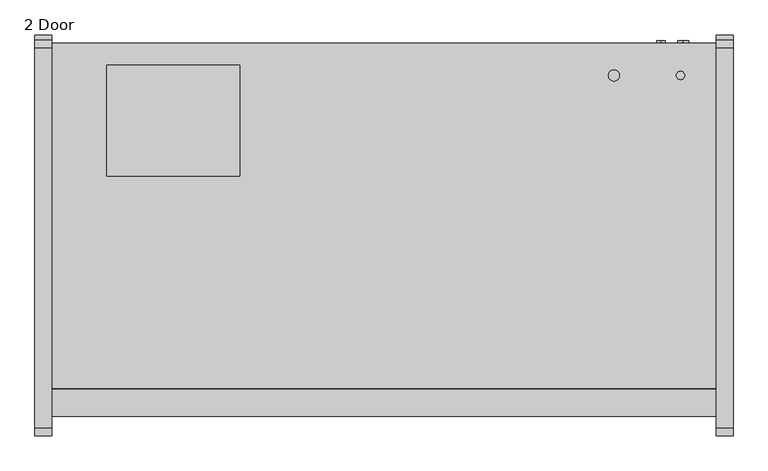
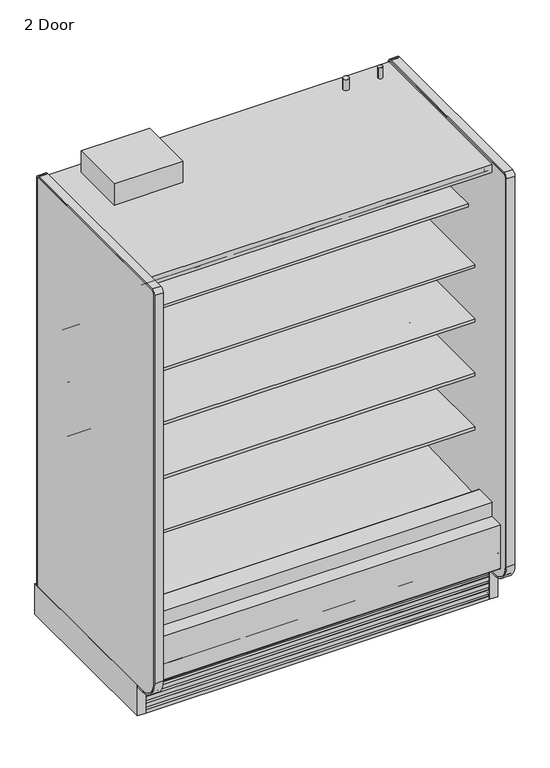
"""IFC4 building model written with IfcOpenShell, lengths in millimetres: proxy geometry, 2 Door."""

from ifc_helpers import new_model, si_unit, point, frame, frame_2d, origin, origin_with_axes, place, context, project, spatial, polyline, circle_curve, trimmed, segment, composite_curve, outline, extrude, source, transform, mapped, element, save
from ifc_brep_helpers import plane_surface, revolved_surface, advanced_brep


def proxy_2_door_fbd0fdcc(model_context):
    return source(origin(), model_context, "Body", "SolidModel", [
        extrude(outline(composite_curve([segment(trimmed(circle_curve(frame_2d((1441.45, -429.4247809)), 9.525), [point((1431.925, -429.4247809))], [point((1450.975, -429.4247809))], False, "CARTESIAN"), True, "CONTINUOUS"), segment(trimmed(circle_curve(frame_2d((1441.45, -429.4247809)), 9.525), [point((1450.975, -429.4247809))], [point((1431.925, -429.4247809))], False, "CARTESIAN"), True, "CONTINUOUS")], self_intersect=False)), frame((0.0, 0.0, 2058.9904091), z_axis=(0.0, 0.0, 1.0), x_axis=(1.0, 0.0, 0.0)), (0.0, 0.0, 1.0), 50.8),
        extrude(outline(composite_curve([segment(trimmed(circle_curve(frame_2d((1289.05, -429.4247809)), 12.7), [point((1276.35, -429.4247809))], [point((1301.75, -429.4247809))], False, "CARTESIAN"), True, "CONTINUOUS"), segment(trimmed(circle_curve(frame_2d((1289.05, -429.4247809)), 12.7), [point((1301.75, -429.4247809))], [point((1276.35, -429.4247809))], False, "CARTESIAN"), True, "CONTINUOUS")], self_intersect=False)), frame((0.0, 0.0, 2058.9904091), z_axis=(0.0, 0.0, 1.0), x_axis=(1.0, 0.0, 0.0)), (0.0, 0.0, 1.0), 50.8),
        extrude(outline(composite_curve([segment(polyline([(-349.0071273, 2056.656972), (-349.0071273, 143.2306), (-355.3571273, 143.2306), (-355.3571273, 2056.656972)]), True, "CONTINUOUS"), segment(trimmed(circle_curve(frame_2d((-365.6251553, 2056.656972)), 10.268028), [point((-355.3571273, 2056.656972))], [point((-365.6251553, 2066.925))], True, "CARTESIAN"), True, "CONTINUOUS"), segment(polyline([(-365.6251553, 2066.925), (-1237.4724391, 2066.925)]), True, "CONTINUOUS"), segment(trimmed(circle_curve(frame_2d((-1237.4724391, 2054.225)), 12.7), [point((-1237.4724391, 2066.925))], [point((-1250.1724391, 2054.225))], True, "CARTESIAN"), True, "CONTINUOUS"), segment(polyline([(-1250.1724391, 2054.225), (-1250.1724391, 232.1306)]), True, "CONTINUOUS"), segment(trimmed(circle_curve(frame_2d((-1161.2724391, 232.1306)), 88.9), [point((-1250.1724391, 232.1306))], [point((-1161.2724391, 143.2306))], True, "CARTESIAN"), True, "CONTINUOUS"), segment(polyline([(-1161.2724391, 143.2306), (-1124.0599223, 143.2306), (-1124.0599223, 136.8806), (-1161.2724391, 136.8806)]), True, "CONTINUOUS"), segment(trimmed(circle_curve(frame_2d((-1161.2724391, 232.1306)), 95.25), [point((-1161.2724391, 136.8806))], [point((-1256.5224391, 232.1306))], False, "CARTESIAN"), True, "CONTINUOUS"), segment(polyline([(-1256.5224391, 232.1306), (-1256.5224391, 2054.225)]), True, "CONTINUOUS"), segment(trimmed(circle_curve(frame_2d((-1237.4724391, 2054.225)), 19.05), [point((-1256.5224391, 2054.225))], [point((-1237.4724391, 2073.275))], False, "CARTESIAN"), True, "CONTINUOUS"), segment(polyline([(-1237.4724391, 2073.275), (-365.6251553, 2073.275)]), True, "CONTINUOUS"), segment(trimmed(circle_curve(frame_2d((-365.6251553, 2056.656972)), 16.618028), [point((-365.6251553, 2073.275))], [point((-349.0071273, 2056.656972))], False, "CARTESIAN"), True, "CONTINUOUS")], self_intersect=False)), frame((1524.0, 0.0, 0.0), z_axis=(1.0, 0.0, 0.0), x_axis=(0.0, 1.0, 0.0)), (0.0, 0.0, 1.0), 38.1),
        extrude(outline(polyline([(1562.1, -336.3071273), (1562.1, -1124.0599223), (1524.0, -1124.0599223), (1524.0, -336.3071273), (1562.1, -336.3071273)])), origin_with_axes(), (0.0, 0.0, 1.0), 143.2306),
        extrude(outline(composite_curve([segment(polyline([(-1250.1724391, 232.1306), (-1250.1724391, 2054.225)]), True, "CONTINUOUS"), segment(trimmed(circle_curve(frame_2d((-1237.4724391, 2054.225)), 12.7), [point((-1250.1724391, 2054.225))], [point((-1237.4724391, 2066.925))], False, "CARTESIAN"), True, "CONTINUOUS"), segment(polyline([(-1237.4724391, 2066.925), (-365.6251553, 2066.925)]), True, "CONTINUOUS"), segment(trimmed(circle_curve(frame_2d((-365.6251553, 2056.656972)), 10.268028), [point((-365.6251553, 2066.925))], [point((-355.3571273, 2056.656972))], False, "CARTESIAN"), True, "CONTINUOUS"), segment(polyline([(-355.3571273, 2056.656972), (-355.3571273, 143.2306), (-1161.2724391, 143.2306)]), True, "CONTINUOUS"), segment(trimmed(circle_curve(frame_2d((-1161.2724391, 232.1306)), 88.9), [point((-1161.2724391, 143.2306))], [point((-1250.1724391, 232.1306))], False, "CARTESIAN"), True, "CONTINUOUS")], self_intersect=False)), frame((1524.0, 0.0, 0.0), z_axis=(1.0, 0.0, 0.0), x_axis=(0.0, 1.0, 0.0)), (0.0, 0.0, 1.0), 38.1),
        extrude(outline(composite_curve([segment(polyline([(-1124.0599223, 136.8806), (-1161.2724391, 136.8806)]), True, "CONTINUOUS"), segment(trimmed(circle_curve(frame_2d((-1161.2724391, 232.1306)), 95.25), [point((-1161.2724391, 136.8806))], [point((-1256.5224391, 232.1306))], False, "CARTESIAN"), True, "CONTINUOUS"), segment(polyline([(-1256.5224391, 232.1306), (-1256.5224391, 2054.225)]), True, "CONTINUOUS"), segment(trimmed(circle_curve(frame_2d((-1237.4724391, 2054.225)), 19.05), [point((-1256.5224391, 2054.225))], [point((-1237.4724391, 2073.275))], False, "CARTESIAN"), True, "CONTINUOUS"), segment(polyline([(-1237.4724391, 2073.275), (-365.6251553, 2073.275)]), True, "CONTINUOUS"), segment(trimmed(circle_curve(frame_2d((-365.6251553, 2056.656972)), 16.618028), [point((-365.6251553, 2073.275))], [point((-349.0071273, 2056.656972))], False, "CARTESIAN"), True, "CONTINUOUS"), segment(polyline([(-349.0071273, 2056.656972), (-349.0071273, 143.2306), (-355.3571273, 143.2306), (-355.3571273, 2056.656972)]), True, "CONTINUOUS"), segment(trimmed(circle_curve(frame_2d((-365.6251553, 2056.656972)), 10.268028), [point((-355.3571273, 2056.656972))], [point((-365.6251553, 2066.925))], True, "CARTESIAN"), True, "CONTINUOUS"), segment(polyline([(-365.6251553, 2066.925), (-1237.4724391, 2066.925)]), True, "CONTINUOUS"), segment(trimmed(circle_curve(frame_2d((-1237.4724391, 2054.225)), 12.7), [point((-1237.4724391, 2066.925))], [point((-1250.1724391, 2054.225))], True, "CARTESIAN"), True, "CONTINUOUS"), segment(polyline([(-1250.1724391, 2054.225), (-1250.1724391, 232.1306)]), True, "CONTINUOUS"), segment(trimmed(circle_curve(frame_2d((-1161.2724391, 232.1306)), 88.9), [point((-1250.1724391, 232.1306))], [point((-1161.2724391, 143.2306))], True, "CARTESIAN"), True, "CONTINUOUS"), segment(polyline([(-1161.2724391, 143.2306), (-1124.0599223, 143.2306), (-1124.0599223, 136.8806)]), True, "CONTINUOUS")], self_intersect=False)), frame((-38.1, 0.0, 0.0), z_axis=(1.0, 0.0, 0.0), x_axis=(0.0, 1.0, 0.0)), (0.0, 0.0, 1.0), 38.1),
        extrude(outline(polyline([(0.0, -336.3071273), (0.0, -1124.0599223), (-38.1, -1124.0599223), (-38.1, -336.3071273), (0.0, -336.3071273)])), origin_with_axes(), (0.0, 0.0, 1.0), 143.2306),
        extrude(outline(composite_curve([segment(polyline([(-1250.1724391, 232.1306), (-1250.1724391, 2054.225)]), True, "CONTINUOUS"), segment(trimmed(circle_curve(frame_2d((-1237.4724391, 2054.225)), 12.7), [point((-1250.1724391, 2054.225))], [point((-1237.4724391, 2066.925))], False, "CARTESIAN"), True, "CONTINUOUS"), segment(polyline([(-1237.4724391, 2066.925), (-365.6251553, 2066.925)]), True, "CONTINUOUS"), segment(trimmed(circle_curve(frame_2d((-365.6251553, 2056.656972)), 10.268028), [point((-365.6251553, 2066.925))], [point((-355.3571273, 2056.656972))], False, "CARTESIAN"), True, "CONTINUOUS"), segment(polyline([(-355.3571273, 2056.656972), (-355.3571273, 143.2306), (-1137.131026, 143.2306), (-1161.2724391, 143.2306)]), True, "CONTINUOUS"), segment(trimmed(circle_curve(frame_2d((-1161.2724391, 232.1306)), 88.9), [point((-1161.2724391, 143.2306))], [point((-1250.1724391, 232.1306))], False, "CARTESIAN"), True, "CONTINUOUS")], self_intersect=False)), frame((-38.1, 0.0, 0.0), z_axis=(1.0, 0.0, 0.0), x_axis=(0.0, 1.0, 0.0)), (0.0, 0.0, 1.0), 38.1),
        extrude(outline(polyline([(0.0, -76.2), (0.0, 0.0), (1524.0, 0.0), (1524.0, -76.2), (0.0, -76.2)])), frame((1524.0, -1079.2958538, 1988.0577862), z_axis=(0.0, 0.09315347017682277, 0.9956517619097633), x_axis=(-1.0, 0.0, 0.0)), (0.0, 0.0, 1.0), 12.7),
        extrude(outline(composite_curve([segment(trimmed(circle_curve(frame_2d((-1205.0506273, 199.8107889)), 6.35), [point((-1201.8764382, 194.3110595))], [point((-1211.4006273, 199.8107889))], False, "CARTESIAN"), True, "CONTINUOUS"), segment(polyline([(-1211.4006273, 199.8107889), (-1211.4006273, 404.6728), (-1147.784197, 404.6728), (-1147.784197, 395.1732), (-1196.1987273, 395.1732), (-1196.1987273, 260.4549459), (-1151.8090876, 223.2076157), (-1201.8764382, 194.3110595)]), True, "CONTINUOUS")], self_intersect=False)), frame((0.0, 0.0, 0.0), z_axis=(1.0, 0.0, 0.0), x_axis=(0.0, 1.0, 0.0)), (0.0, 0.0, 1.0), 1524.0),
        extrude(outline(polyline([(431.8422466, -406.1571273), (431.8422466, -660.1571273), (127.0, -660.1571273), (127.0, -406.1571273), (431.8422466, -406.1571273)])), frame((0.0, 0.0, 2058.9904091), z_axis=(0.0, 0.0, 1.0), x_axis=(1.0, 0.0, 0.0)), (0.0, 0.0, 1.0), 100.0095909),
        advanced_brep(
        [(1524.0, -1124.0599223, 0.0), (1524.0, -1111.0071273, 0.0), (1524.0, -1111.0071273, 189.0201105), (1524.0, -1118.1695038, 194.9418778), (1524.0, -1118.1695038, 167.3928018), (1524.0, -1119.7599344, 165.8023712), (1524.0, -1119.7599344, 146.7523712), (1524.0, -1117.4655682, 147.966845), (1524.0, -1114.0015384, 146.7880867), (1524.0, -1120.0983392, 136.4191003), (1524.0, -1120.6941527, 135.8232868), (1524.0, -1120.6941527, 116.7732868), (1524.0, -1118.3997865, 117.9877605), (1524.0, -1114.9357567, 116.8090023), (1524.0, -1121.0325575, 106.4400158), (1524.0, -1121.628371, 105.8442023), (1524.0, -1121.628371, 86.7942023), (1524.0, -1119.3340048, 88.0086761), (1524.0, -1115.869975, 86.8299178), (1524.0, -1121.9667759, 76.4609313), (1524.0, -1122.5625893, 75.8651179), (1524.0, -1122.5625893, 56.8151179), (1524.0, -1120.2682231, 58.0295916), (1524.0, -1116.8041934, 56.8508334), (1524.0, -1122.9009942, 46.4818469), (1524.0, -1123.4968077, 45.8860334), (1524.0, -1123.4968077, 26.8360334), (1524.0, -1121.2024415, 28.0505071), (1524.0, -1117.7384117, 26.8717489), (1524.0, -1123.8352125, 16.5027624), (1524.0, -1124.0599223, 15.4000228), (0.0, -1124.0599223, 0.0), (0.0, -1124.0599223, 15.4000228), (0.0, -1123.8352125, 16.5027624), (0.0, -1117.7046569, 26.7952908), (0.0, -1121.2024415, 28.0505071), (0.0, -1123.4968077, 26.8360334), (0.0, -1123.4968077, 45.8860334), (0.0, -1122.9009942, 46.4818469), (0.0, -1116.7704385, 56.7743753), (0.0, -1120.2682231, 58.0295916), (0.0, -1122.5625893, 56.8151179), (0.0, -1122.5625893, 75.8651179), (0.0, -1121.9667759, 76.4609313), (0.0, -1115.8362202, 86.7534597), (0.0, -1119.3340048, 88.0086761), (0.0, -1121.628371, 86.7942023), (0.0, -1121.628371, 105.8442023), (0.0, -1121.0325575, 106.4400158), (0.0, -1114.9020019, 116.7325442), (0.0, -1118.3997865, 117.9877605), (0.0, -1120.6941527, 116.7732868), (0.0, -1120.6941527, 135.8232868), (0.0, -1120.0983392, 136.4191003), (0.0, -1113.9677835, 146.7116287), (0.0, -1117.4655682, 147.966845), (0.0, -1119.7599344, 146.7523712), (0.0, -1119.7599344, 165.8023712), (0.0, -1118.1695038, 167.3928018), (0.0, -1118.1695038, 194.9418778), (0.0, -1111.0071273, 189.0201105), (0.0, -1111.0071273, 0.0)],
        [
            (0, 1),
            (1, 2),
            (2, 3),
            (3, 4),
            (4, 5),
            (5, 6),
            (6, 7),
            (7, 8, circle_curve(frame((1524.0, -1116.2892235, 145.7445117), z_axis=(-1.0, 0.0, 0.0), x_axis=(0.0, 1.0, 0.0)), 2.5144685)),
            (8, 9, circle_curve(frame((1524.0, -1120.7858609, 143.8006506), z_axis=(-1.0, 0.0, 0.0), x_axis=(0.0, 1.0, 0.0)), 7.4134993)),
            (9, 10),
            (10, 11),
            (11, 12),
            (12, 13, circle_curve(frame((1524.0, -1117.2234418, 115.7654272), z_axis=(-1.0, 0.0, 0.0), x_axis=(0.0, 1.0, 0.0)), 2.5144685)),
            (13, 14, circle_curve(frame((1524.0, -1121.7200792, 113.8215662), z_axis=(-1.0, 0.0, 0.0), x_axis=(0.0, 1.0, 0.0)), 7.4134993)),
            (14, 15),
            (15, 16),
            (16, 17),
            (17, 18, circle_curve(frame((1524.0, -1118.1576601, 85.7863428), z_axis=(-1.0, 0.0, 0.0), x_axis=(0.0, 1.0, 0.0)), 2.5144685)),
            (18, 19, circle_curve(frame((1524.0, -1122.6542976, 83.8424817), z_axis=(-1.0, 0.0, 0.0), x_axis=(0.0, 1.0, 0.0)), 7.4134993)),
            (19, 20),
            (20, 21),
            (21, 22),
            (22, 23, circle_curve(frame((1524.0, -1119.0918785, 55.8072583), z_axis=(-1.0, 0.0, 0.0), x_axis=(0.0, 1.0, 0.0)), 2.5144685)),
            (23, 24, circle_curve(frame((1524.0, -1123.5885159, 53.8633973), z_axis=(-1.0, 0.0, 0.0), x_axis=(0.0, 1.0, 0.0)), 7.4134993)),
            (24, 25),
            (25, 26),
            (26, 27),
            (27, 28, circle_curve(frame((1524.0, -1120.0260968, 25.8281739), z_axis=(-1.0, 0.0, 0.0), x_axis=(0.0, 1.0, 0.0)), 2.5144685)),
            (28, 29, circle_curve(frame((1524.0, -1124.5227342, 23.8843128), z_axis=(-1.0, 0.0, 0.0), x_axis=(0.0, 1.0, 0.0)), 7.4134993)),
            (29, 30),
            (30, 0),
            (31, 32),
            (32, 33),
            (33, 34, circle_curve(frame((0.0, -1124.5227342, 23.8843128), z_axis=(1.0, 0.0, 0.0), x_axis=(0.0, 1.0, 0.0)), 7.4134993)),
            (34, 35, circle_curve(frame((0.0, -1120.0260968, 25.8281739), z_axis=(1.0, 0.0, 0.0), x_axis=(0.0, 1.0, 0.0)), 2.5144685)),
            (35, 36),
            (36, 37),
            (37, 38),
            (38, 39, circle_curve(frame((0.0, -1123.5885159, 53.8633973), z_axis=(1.0, 0.0, 0.0), x_axis=(0.0, 1.0, 0.0)), 7.4134993)),
            (39, 40, circle_curve(frame((0.0, -1119.0918785, 55.8072583), z_axis=(1.0, 0.0, 0.0), x_axis=(0.0, 1.0, 0.0)), 2.5144685)),
            (40, 41),
            (41, 42),
            (42, 43),
            (43, 44, circle_curve(frame((0.0, -1122.6542976, 83.8424817), z_axis=(1.0, 0.0, 0.0), x_axis=(0.0, 1.0, 0.0)), 7.4134993)),
            (44, 45, circle_curve(frame((0.0, -1118.1576601, 85.7863428), z_axis=(1.0, 0.0, 0.0), x_axis=(0.0, 1.0, 0.0)), 2.5144685)),
            (45, 46),
            (46, 47),
            (47, 48),
            (48, 49, circle_curve(frame((0.0, -1121.7200792, 113.8215662), z_axis=(1.0, 0.0, 0.0), x_axis=(0.0, 1.0, 0.0)), 7.4134993)),
            (49, 50, circle_curve(frame((0.0, -1117.2234418, 115.7654272), z_axis=(1.0, 0.0, 0.0), x_axis=(0.0, 1.0, 0.0)), 2.5144685)),
            (50, 51),
            (51, 52),
            (52, 53),
            (53, 54, circle_curve(frame((0.0, -1120.7858609, 143.8006506), z_axis=(1.0, 0.0, 0.0), x_axis=(0.0, 1.0, 0.0)), 7.4134993)),
            (54, 55, circle_curve(frame((0.0, -1116.2892235, 145.7445117), z_axis=(1.0, 0.0, 0.0), x_axis=(0.0, 1.0, 0.0)), 2.5144685)),
            (55, 56),
            (56, 57),
            (57, 58),
            (58, 59),
            (59, 60),
            (60, 61),
            (61, 31),
            (0, 31),
            (61, 1),
            (60, 2),
            (59, 3),
            (58, 4),
            (57, 5),
            (56, 6),
            (55, 7),
            (54, 8),
            (53, 9),
            (52, 10),
            (51, 11),
            (50, 12),
            (49, 13),
            (48, 14),
            (47, 15),
            (46, 16),
            (45, 17),
            (44, 18),
            (43, 19),
            (42, 20),
            (41, 21),
            (40, 22),
            (39, 23),
            (38, 24),
            (37, 25),
            (36, 26),
            (35, 27),
            (34, 28),
            (33, 29),
            (30, 32),
        ],
        [
            plane_surface(frame((1524.0, -1111.0071273, 0.0), z_axis=(1.0, 0.0, 0.0), x_axis=(0.0, 1.0, 0.0))),
            plane_surface(frame((0.0, -1111.0071273, 0.0), z_axis=(-1.0, 0.0, 0.0), x_axis=(0.0, -1.0, 0.0))),
            plane_surface(frame((1524.0, -1124.0599223, 0.0), z_axis=(0.0, 0.0, -1.0), x_axis=(-1.0, 0.0, 0.0))),
            plane_surface(frame((1524.0, -1111.0071273, 0.0), z_axis=(0.0, 1.0, 0.0), x_axis=(-1.0, 0.0, 0.0))),
            plane_surface(frame((1524.0, -1111.0071273, 189.0201105), z_axis=(0.0, 0.6372025590230975, 0.7706963726231076), x_axis=(-1.0, 0.0, 0.0))),
            plane_surface(frame((1524.0, -1118.1695038, 194.9418778), z_axis=(0.0, -1.0, 0.0), x_axis=(-1.0, 0.0, 0.0))),
            plane_surface(frame((1524.0, -1118.1695038, 167.3928018), z_axis=(0.0, -0.7071067811865249, 0.7071067811865701), x_axis=(-1.0, 0.0, 0.0))),
            plane_surface(frame((1524.0, -1119.7599344, 165.8023712), z_axis=(0.0, -1.0, 0.0), x_axis=(-1.0, 0.0, 0.0))),
            plane_surface(frame((1524.0, -1119.7599344, 146.7523712), z_axis=(0.0, 0.46783034066877954, -0.8838182914772322), x_axis=(-1.0, 0.0, 0.0))),
            revolved_surface(polyline([(0.0, -1113.774755, 145.7445117), (1524.0, -1113.774755, 145.7445117)]), (0.0, -1116.2892235, 145.7445117), (-1.0, 0.0, 0.0)),
            revolved_surface(polyline([(0.0, -1113.3723616, 143.8006506), (1524.0, -1113.3723616, 143.8006506)]), (0.0, -1120.7858609, 143.8006506), (-1.0, 0.0, 0.0)),
            plane_surface(frame((1524.0, -1120.0983392, 136.4191003), z_axis=(0.0, -0.7071067811865174, 0.7071067811865777), x_axis=(-1.0, 0.0, 0.0))),
            plane_surface(frame((1524.0, -1120.6941527, 135.8232868), z_axis=(0.0, -1.0, 0.0), x_axis=(-1.0, 0.0, 0.0))),
            plane_surface(frame((1524.0, -1120.6941527, 116.7732868), z_axis=(0.0, 0.46783034066877444, -0.8838182914772349), x_axis=(-1.0, 0.0, 0.0))),
            revolved_surface(polyline([(0.0, -1114.7089733, 115.7654272), (1524.0, -1114.7089733, 115.7654272)]), (0.0, -1117.2234418, 115.7654272), (-1.0, 0.0, 0.0)),
            revolved_surface(polyline([(0.0, -1114.3065799, 113.8215662), (1524.0, -1114.3065799, 113.8215662)]), (0.0, -1121.7200792, 113.8215662), (-1.0, 0.0, 0.0)),
            plane_surface(frame((1524.0, -1121.0325575, 106.4400158), z_axis=(0.0, -0.7071067811865275, 0.7071067811865677), x_axis=(-1.0, 0.0, 0.0))),
            plane_surface(frame((1524.0, -1121.628371, 105.8442023), z_axis=(0.0, -1.0, 0.0), x_axis=(-1.0, 0.0, 0.0))),
            plane_surface(frame((1524.0, -1121.628371, 86.7942023), z_axis=(0.0, 0.46783034066877954, -0.8838182914772322), x_axis=(-1.0, 0.0, 0.0))),
            revolved_surface(polyline([(0.0, -1115.6431916, 85.7863428), (1524.0, -1115.6431916, 85.7863428)]), (0.0, -1118.1576601, 85.7863428), (-1.0, 0.0, 0.0)),
            revolved_surface(polyline([(0.0, -1115.2407983, 83.8424817), (1524.0, -1115.2407983, 83.8424817)]), (0.0, -1122.6542976, 83.8424817), (-1.0, 0.0, 0.0)),
            plane_surface(frame((1524.0, -1121.9667759, 76.4609313), z_axis=(0.0, -0.7071067811865225, 0.7071067811865727), x_axis=(-1.0, 0.0, 0.0))),
            plane_surface(frame((1524.0, -1122.5625893, 75.8651179), z_axis=(0.0, -1.0, 0.0), x_axis=(-1.0, 0.0, 0.0))),
            plane_surface(frame((1524.0, -1122.5625893, 56.8151179), z_axis=(0.0, 0.46783034066877954, -0.8838182914772322), x_axis=(-1.0, 0.0, 0.0))),
            revolved_surface(polyline([(0.0, -1116.5774099999999, 55.8072583), (1524.0, -1116.5774099999999, 55.8072583)]), (0.0, -1119.0918785, 55.8072583), (-1.0, 0.0, 0.0)),
            revolved_surface(polyline([(0.0, -1116.1750166, 53.8633973), (1524.0, -1116.1750166, 53.8633973)]), (0.0, -1123.5885159, 53.8633973), (-1.0, 0.0, 0.0)),
            plane_surface(frame((1524.0, -1122.9009942, 46.4818469), z_axis=(0.0, -0.7071067811865275, 0.7071067811865677), x_axis=(-1.0, 0.0, 0.0))),
            plane_surface(frame((1524.0, -1123.4968077, 45.8860334), z_axis=(0.0, -1.0, 0.0), x_axis=(-1.0, 0.0, 0.0))),
            plane_surface(frame((1524.0, -1123.4968077, 26.8360334), z_axis=(0.0, 0.46783034066877954, -0.8838182914772322), x_axis=(-1.0, 0.0, 0.0))),
            revolved_surface(polyline([(0.0, -1117.5116283, 25.8281739), (1524.0, -1117.5116283, 25.8281739)]), (0.0, -1120.0260968, 25.8281739), (-1.0, 0.0, 0.0)),
            revolved_surface(polyline([(0.0, -1117.1092349, 23.8843128), (1524.0, -1117.1092349, 23.8843128)]), (0.0, -1124.5227342, 23.8843128), (-1.0, 0.0, 0.0)),
            plane_surface(frame((1524.0, -1124.0599223, 15.4000228), z_axis=(0.0, -1.0, 0.0), x_axis=(-1.0, 0.0, 0.0))),
            plane_surface(frame((1524.0, -1123.8352125, 16.5027624), z_axis=(0.0, -0.9798630437033696, 0.19967076797660804), x_axis=(-1.0, 0.0, 0.0))),
        ],
        [
            (0, [[1, 2, 3, 4, 5, 6, 7, 8, 9, 10, 11, 12, 13, 14, 15, 16, 17, 18, 19, 20, 21, 22, 23, 24, 25, 26, 27, 28, 29, 30, 31]]),
            (1, [[32, 33, 34, 35, 36, 37, 38, 39, 40, 41, 42, 43, 44, 45, 46, 47, 48, 49, 50, 51, 52, 53, 54, 55, 56, 57, 58, 59, 60, 61, 62]]),
            (2, [[-1, 63, -62, 64]]),
            (3, [[-2, -64, -61, 65]]),
            (4, [[-3, -65, -60, 66]]),
            (5, [[-4, -66, -59, 67]]),
            (6, [[-5, -67, -58, 68]]),
            (7, [[-6, -68, -57, 69]]),
            (8, [[-7, -69, -56, 70]]),
            (9, [[-8, -70, -55, 71]]),
            (10, [[-9, -71, -54, 72]]),
            (11, [[-10, -72, -53, 73]]),
            (12, [[-11, -73, -52, 74]]),
            (13, [[-12, -74, -51, 75]]),
            (14, [[-13, -75, -50, 76]]),
            (15, [[-14, -76, -49, 77]]),
            (16, [[-15, -77, -48, 78]]),
            (17, [[-16, -78, -47, 79]]),
            (18, [[-17, -79, -46, 80]]),
            (19, [[-18, -80, -45, 81]]),
            (20, [[-19, -81, -44, 82]]),
            (21, [[-20, -82, -43, 83]]),
            (22, [[-21, -83, -42, 84]]),
            (23, [[-22, -84, -41, 85]]),
            (24, [[-23, -85, -40, 86]]),
            (25, [[-24, -86, -39, 87]]),
            (26, [[-25, -87, -38, 88]]),
            (27, [[-26, -88, -37, 89]]),
            (28, [[-27, -89, -36, 90]]),
            (29, [[-28, -90, -35, 91]]),
            (30, [[-29, -91, -34, 92]]),
            (31, [[-31, 93, -32, -63]]),
            (32, [[-30, -92, -33, -93]]),
        ],
    ),
        extrude(outline(composite_curve([segment(polyline([(-457.027044, 1659.5875245), (-468.1349362, 1659.3712074)]), True, "CONTINUOUS"), segment(trimmed(circle_curve(frame_2d((-468.6228819, 1684.4272352)), 25.0607786), [point((-468.1349362, 1659.3712074))], [point((-484.5302045, 1665.062326))], False, "CARTESIAN"), True, "CONTINUOUS"), segment(polyline([(-484.5302045, 1665.062326), (-522.7519051, 1696.1455946)]), True, "CONTINUOUS"), segment(trimmed(circle_curve(frame_2d((-562.8163782, 1646.8801098)), 63.5), [point((-522.7519051, 1696.1455946))], [point((-555.8383697, 1709.9955389))], True, "CARTESIAN"), True, "CONTINUOUS"), segment(polyline([(-555.8383697, 1709.9955389), (-850.9210421, 1742.6197236), (-850.9210421, 1746.90405), (-965.027044, 1746.90405), (-965.027044, 1760.3978), (-457.027044, 1760.3978), (-457.027044, 1659.5875245)]), True, "CONTINUOUS")], self_intersect=False)), frame((0.0, 0.0, 0.0), z_axis=(1.0, 0.0, 0.0), x_axis=(0.0, 1.0, 0.0)), (0.0, 0.0, 1.0), 1524.0),
        extrude(outline(composite_curve([segment(polyline([(-457.027044, 643.5875245), (-468.1349362, 643.3712074)]), True, "CONTINUOUS"), segment(trimmed(circle_curve(frame_2d((-468.6228819, 668.4272352)), 25.0607786), [point((-468.1349362, 643.3712074))], [point((-484.5302045, 649.062326))], False, "CARTESIAN"), True, "CONTINUOUS"), segment(polyline([(-484.5302045, 649.062326), (-522.7519051, 680.1455946)]), True, "CONTINUOUS"), segment(trimmed(circle_curve(frame_2d((-562.8163782, 630.8801098)), 63.5), [point((-522.7519051, 680.1455946))], [point((-555.9633688, 694.0092335))], True, "CARTESIAN"), True, "CONTINUOUS"), segment(polyline([(-555.9633688, 694.0092335), (-901.7210421, 726.6197236), (-901.7210421, 730.90405), (-1015.827044, 730.90405), (-1015.827044, 744.3978), (-457.027044, 744.3978), (-457.027044, 643.5875245)]), True, "CONTINUOUS")], self_intersect=False)), frame((0.0, 0.0, 0.0), z_axis=(1.0, 0.0, 0.0), x_axis=(0.0, 1.0, 0.0)), (0.0, 0.0, 1.0), 1524.0),
        extrude(outline(composite_curve([segment(polyline([(-457.027044, 897.5875245), (-468.1349362, 897.3712074)]), True, "CONTINUOUS"), segment(trimmed(circle_curve(frame_2d((-468.6228819, 922.4272352)), 25.0607786), [point((-468.1349362, 897.3712074))], [point((-484.5302045, 903.062326))], False, "CARTESIAN"), True, "CONTINUOUS"), segment(polyline([(-484.5302045, 903.062326), (-522.7519051, 934.1455946)]), True, "CONTINUOUS"), segment(trimmed(circle_curve(frame_2d((-562.8163782, 884.8801098)), 63.5), [point((-522.7519051, 934.1455946))], [point((-555.9633688, 948.0092335))], True, "CARTESIAN"), True, "CONTINUOUS"), segment(polyline([(-555.9633688, 948.0092335), (-901.7210421, 980.6197236), (-901.7210421, 984.90405), (-1015.827044, 984.90405), (-1015.827044, 998.3978), (-457.027044, 998.3978), (-457.027044, 897.5875245)]), True, "CONTINUOUS")], self_intersect=False)), frame((0.0, 0.0, 0.0), z_axis=(1.0, 0.0, 0.0), x_axis=(0.0, 1.0, 0.0)), (0.0, 0.0, 1.0), 1524.0),
        extrude(outline(composite_curve([segment(polyline([(-457.027044, 1151.5875245), (-468.1349362, 1151.3712074)]), True, "CONTINUOUS"), segment(trimmed(circle_curve(frame_2d((-468.6228819, 1176.4272352)), 25.0607786), [point((-468.1349362, 1151.3712074))], [point((-484.5302045, 1157.062326))], False, "CARTESIAN"), True, "CONTINUOUS"), segment(polyline([(-484.5302045, 1157.062326), (-522.7519051, 1188.1455946)]), True, "CONTINUOUS"), segment(trimmed(circle_curve(frame_2d((-562.8163782, 1138.8801098)), 63.5), [point((-522.7519051, 1188.1455946))], [point((-555.9633688, 1202.0092335))], True, "CARTESIAN"), True, "CONTINUOUS"), segment(polyline([(-555.9633688, 1202.0092335), (-901.7210421, 1234.6197236), (-901.7210421, 1238.90405), (-1015.827044, 1238.90405), (-1015.827044, 1252.3978), (-457.027044, 1252.3978), (-457.027044, 1151.5875245)]), True, "CONTINUOUS")], self_intersect=False)), frame((0.0, 0.0, 0.0), z_axis=(1.0, 0.0, 0.0), x_axis=(0.0, 1.0, 0.0)), (0.0, 0.0, 1.0), 1524.0),
        extrude(outline(composite_curve([segment(polyline([(-457.027044, 1405.5875245), (-468.1349362, 1405.3712074)]), True, "CONTINUOUS"), segment(trimmed(circle_curve(frame_2d((-468.6228819, 1430.4272352)), 25.0607786), [point((-468.1349362, 1405.3712074))], [point((-484.5302045, 1411.062326))], False, "CARTESIAN"), True, "CONTINUOUS"), segment(polyline([(-484.5302045, 1411.062326), (-522.7519051, 1442.1455946)]), True, "CONTINUOUS"), segment(trimmed(circle_curve(frame_2d((-562.8163782, 1392.8801098)), 63.5), [point((-522.7519051, 1442.1455946))], [point((-555.9633688, 1456.0092335))], True, "CARTESIAN"), True, "CONTINUOUS"), segment(polyline([(-555.9633688, 1456.0092335), (-901.7210421, 1488.6197236), (-901.7210421, 1492.90405), (-1015.827044, 1492.90405), (-1015.827044, 1506.3978), (-457.027044, 1506.3978), (-457.027044, 1405.5875245)]), True, "CONTINUOUS")], self_intersect=False)), frame((0.0, 0.0, 0.0), z_axis=(1.0, 0.0, 0.0), x_axis=(0.0, 1.0, 0.0)), (0.0, 0.0, 1.0), 1524.0),
        advanced_brep(
        [(1524.0, -355.3571273, 130.5306), (1524.0, -355.3571273, 2057.4), (1524.0, -1147.784197, 2057.4), (1524.0, -1147.784197, 2020.2201079), (1524.0, -405.5224764, 2020.2201079), (1524.0, -405.5224764, 220.2495555), (1524.0, -866.2322128, 192.9404113), (1524.0, -906.3154388, 159.4459345), (1524.0, -970.8177493, 157.1934642), (1524.0, -1016.169944, 190.0023738), (1524.0, -1033.5218065, 189.3964335), (1524.0, -1147.784197, 285.2739632), (1524.0, -1147.784197, 395.1732), (1524.0, -1196.1987273, 395.1732), (1524.0, -1196.1987273, 260.4549459), (1524.0, -1041.3609213, 130.5306), (0.0, -355.3571273, 130.5306), (0.0, -1041.3609213, 130.5306), (0.0, -1196.1987273, 260.4549459), (0.0, -1196.1987273, 395.1732), (0.0, -1147.784197, 395.1732), (0.0, -1147.784197, 285.2739632), (0.0, -1033.5218065, 189.3964335), (0.0, -1016.169944, 190.0023738), (0.0, -970.8177493, 157.1934642), (0.0, -906.3154388, 159.4459345), (0.0, -866.2322128, 192.9404113), (0.0, -405.5224764, 220.2495555), (0.0, -405.5224764, 2020.2201079), (0.0, -1147.784197, 2020.2201079), (0.0, -1147.784197, 2057.4), (0.0, -355.3571273, 2057.4), (1422.4, -355.3571273, 303.2125), (1422.4, -355.3571273, 404.8125), (1422.4, -390.6253644, 303.2125), (1422.4, -390.6253644, 404.8125)],
        [
            (0, 1),
            (1, 2),
            (2, 3),
            (3, 4),
            (4, 5),
            (5, 6),
            (6, 7),
            (7, 8),
            (8, 9),
            (9, 10),
            (10, 11),
            (11, 12),
            (12, 13),
            (13, 14),
            (14, 15),
            (15, 0),
            (16, 17),
            (17, 18),
            (18, 19),
            (19, 20),
            (20, 21),
            (21, 22),
            (22, 23),
            (23, 24),
            (24, 25),
            (25, 26),
            (26, 27),
            (27, 28),
            (28, 29),
            (29, 30),
            (30, 31),
            (31, 16),
            (0, 16),
            (31, 1),
            (32, 33, circle_curve(frame((1422.4, -355.3571273, 354.0125), z_axis=(0.0, -1.0, 0.0), x_axis=(0.0, 0.0, 1.0)), 50.8)),
            (33, 32, circle_curve(frame((1422.4, -355.3571273, 354.0125), z_axis=(0.0, -1.0, 0.0), x_axis=(0.0, 0.0, 1.0)), 50.8)),
            (30, 2),
            (29, 3),
            (28, 4),
            (27, 5),
            (15, 17),
            (34, 35, circle_curve(frame((1422.4, -390.6253644, 354.0125), z_axis=(0.0, 1.0, 0.0), x_axis=(0.0, 0.0, 1.0)), 50.8)),
            (35, 34, circle_curve(frame((1422.4, -390.6253644, 354.0125), z_axis=(0.0, 1.0, 0.0), x_axis=(0.0, 0.0, 1.0)), 50.8)),
            (35, 33),
            (32, 34),
            (6, 26),
            (25, 7),
            (24, 8),
            (23, 9),
            (22, 10),
            (21, 11),
            (20, 12),
            (19, 13),
            (18, 14),
        ],
        [
            plane_surface(frame((1524.0, -355.3571273, 2046.3567079), z_axis=(1.0, 0.0, 0.0), x_axis=(0.0, 0.0, 1.0))),
            plane_surface(frame((0.0, -355.3571273, 2046.3567079), z_axis=(-1.0, 0.0, 0.0), x_axis=(0.0, 0.0, -1.0))),
            plane_surface(frame((1524.0, -355.3571273, 130.5306), z_axis=(0.0, 1.0, 0.0), x_axis=(-1.0, 0.0, 0.0))),
            plane_surface(frame((1524.0, -355.3571273, 2057.4), z_axis=(0.0, 0.0, 1.0), x_axis=(-1.0, 0.0, 0.0))),
            plane_surface(frame((1524.0, -1147.784197, 2057.4), z_axis=(0.0, -1.0, 0.0), x_axis=(-1.0, 0.0, 0.0))),
            plane_surface(frame((1524.0, -1147.784197, 2020.2201079), z_axis=(0.0, 0.0, -1.0), x_axis=(-1.0, 0.0, 0.0))),
            plane_surface(frame((1524.0, -405.5224764, 2020.2201079), z_axis=(0.0, -1.0, 0.0), x_axis=(-1.0, 0.0, 0.0))),
            plane_surface(frame((1524.0, -1041.3609213, 130.5306), z_axis=(0.0, 0.0, -1.0), x_axis=(-1.0, 0.0, 0.0))),
            plane_surface(frame((1422.4, -390.6253644, 404.8125), z_axis=(0.0, 1.0, 0.0), x_axis=(-1.0, 0.0, 0.0))),
            revolved_surface(polyline([(1422.4, -390.6253644, 404.8125), (1422.4, -355.3571273, 404.8125)]), (1422.4, -355.3571273, 354.0125), (0.0, -1.0, 0.0)),
            plane_surface(frame((1524.0, -866.2322128, 192.9404113), z_axis=(0.0, -0.6412208566386132, 0.7673563794037573), x_axis=(-1.0, 0.0, 0.0))),
            plane_surface(frame((1524.0, -906.3154388, 159.4459345), z_axis=(0.0, -0.03489949670245158, 0.9993908270190974), x_axis=(-1.0, 0.0, 0.0))),
            plane_surface(frame((1524.0, -970.8177493, 157.1934642), z_axis=(0.0, 0.5861307997256702, 0.8102164436821474), x_axis=(-1.0, 0.0, 0.0))),
            plane_surface(frame((1524.0, -1016.169944, 190.0023738), z_axis=(0.0, -0.034899496702486744, 0.9993908270190962), x_axis=(-1.0, 0.0, 0.0))),
            plane_surface(frame((1524.0, -405.5224764, 220.2495555), z_axis=(0.0, -0.059172381954877985, 0.9982477794684975), x_axis=(-1.0, 0.0, 0.0))),
            plane_surface(frame((1524.0, -1033.5218065, 189.3964335), z_axis=(0.0, 0.6427876096848525, 0.7660444431203935), x_axis=(-1.0, 0.0, 0.0))),
            plane_surface(frame((1524.0, -1147.784197, 285.2739632), z_axis=(0.0, 1.0, 0.0), x_axis=(-1.0, 0.0, 0.0))),
            plane_surface(frame((1524.0, -1147.784197, 395.1732), z_axis=(0.0, 0.0, 1.0), x_axis=(-1.0, 0.0, 0.0))),
            plane_surface(frame((1524.0, -1196.1987273, 395.1732), z_axis=(0.0, -1.0, 0.0), x_axis=(-1.0, 0.0, 0.0))),
            plane_surface(frame((1524.0, -1196.1987273, 260.4549459), z_axis=(0.0, -0.6427876096877204, -0.766044443117987), x_axis=(-1.0, 0.0, 0.0))),
        ],
        [
            (0, [[1, 2, 3, 4, 5, 6, 7, 8, 9, 10, 11, 12, 13, 14, 15, 16]]),
            (1, [[17, 18, 19, 20, 21, 22, 23, 24, 25, 26, 27, 28, 29, 30, 31, 32]]),
            (2, [[-1, 33, -32, 34], [35, 36]]),
            (3, [[-2, -34, -31, 37]]),
            (4, [[-3, -37, -30, 38]]),
            (5, [[-4, -38, -29, 39]]),
            (6, [[-5, -39, -28, 40]]),
            (7, [[-16, 41, -17, -33]]),
            (8, [[42, 43]]),
            (9, [[-43, 44, -35, 45]]),
            (9, [[-42, -45, -36, -44]]),
            (10, [[-7, 46, -26, 47]]),
            (11, [[-8, -47, -25, 48]]),
            (12, [[-9, -48, -24, 49]]),
            (13, [[-10, -49, -23, 50]]),
            (14, [[-6, -40, -27, -46]]),
            (15, [[-11, -50, -22, 51]]),
            (16, [[-12, -51, -21, 52]]),
            (17, [[-13, -52, -20, 53]]),
            (18, [[-14, -53, -19, 54]]),
            (19, [[-15, -54, -18, -41]]),
        ],
    ),
        extrude(outline(composite_curve([segment(polyline([(-457.027044, 445.7919218), (-405.5224764, 445.7919218), (-405.5224764, 220.2495555), (-866.2322128, 192.9404113), (-906.3154388, 159.4459345), (-970.8177493, 157.1934642), (-1016.169944, 190.0023738), (-1033.5218065, 189.3964335), (-1147.784197, 285.2739632), (-1147.784197, 471.3478), (-1049.6661273, 471.3478)]), True, "CONTINUOUS"), segment(trimmed(circle_curve(frame_2d((-1049.6661273, 469.2904)), 2.0574), [point((-1049.6661273, 471.3478))], [point((-1047.6087273, 469.2904))], False, "CARTESIAN"), True, "CONTINUOUS"), segment(polyline([(-1047.6087273, 469.2904), (-1047.6087273, 423.9708554), (-457.027044, 445.7919218)]), True, "CONTINUOUS")], self_intersect=False)), frame((0.0, 0.0, 0.0), z_axis=(1.0, 0.0, 0.0), x_axis=(0.0, 1.0, 0.0)), (0.0, 0.0, 1.0), 1524.0),
        extrude(outline(composite_curve([segment(polyline([(-1001.0821412, 1994.8201079), (-1001.0544494, 1996.4629758), (-1080.2451873, 2003.8720844), (-1080.2451873, 1993.3723079)]), True, "CONTINUOUS"), segment(trimmed(circle_curve(frame_2d((-1082.7851873, 1993.3723079)), 2.54), [point((-1080.2451873, 1993.3723079))], [point((-1082.7851873, 1990.8323079))], False, "CARTESIAN"), True, "CONTINUOUS"), segment(polyline([(-1082.7851873, 1990.8323079), (-1092.0053873, 1990.8323079)]), True, "CONTINUOUS"), segment(trimmed(circle_curve(frame_2d((-1092.0053873, 1993.3723079)), 2.54), [point((-1092.0053873, 1990.8323079))], [point((-1094.5453873, 1993.3723079))], False, "CARTESIAN"), True, "CONTINUOUS"), segment(polyline([(-1094.5453873, 1993.3723079), (-1094.5453873, 2001.1923066)]), True, "CONTINUOUS"), segment(trimmed(circle_curve(frame_2d((-1097.0853873, 2001.1923066)), 2.54), [point((-1094.5453873, 2001.1923066))], [point((-1097.0853873, 2003.7323066))], True, "CARTESIAN"), True, "CONTINUOUS"), segment(polyline([(-1097.0853873, 2003.7323066), (-1111.0553873, 2003.7323066)]), True, "CONTINUOUS"), segment(trimmed(circle_curve(frame_2d((-1111.0553873, 2006.2723066)), 2.54), [point((-1111.0553873, 2003.7323066))], [point((-1113.5953873, 2006.2723066))], False, "CARTESIAN"), True, "CONTINUOUS"), segment(polyline([(-1113.5953873, 2006.2723066), (-1113.5953873, 2007.5201079), (-1113.5953873, 2020.2201079), (-405.5224764, 2020.2201079), (-405.5224764, 445.7919218), (-457.027044, 445.7919218), (-457.027044, 1994.8201079), (-1001.0821412, 1994.8201079)]), True, "CONTINUOUS")], self_intersect=False)), frame((0.0, 0.0, 0.0), z_axis=(1.0, 0.0, 0.0), x_axis=(0.0, 1.0, 0.0)), (0.0, 0.0, 1.0), 1524.0),
        extrude(outline(polyline([(457.2, -1050.6821273), (457.2, -1114.594384), (254.0, -1114.594384), (254.0, -1050.6821273), (457.2, -1050.6821273)])), frame((0.0, 0.0, 44.45), z_axis=(0.0, 0.0, 1.0), x_axis=(1.0, 0.0, 0.0)), (0.0, 0.0, 1.0), 6.35),
        advanced_brep(
        [(1524.0, -1111.0071273, 188.9707058), (1524.0, -1111.0071273, 0.0), (1524.0, -964.9571273, 0.0), (1524.0, -964.9571273, 130.5306), (1524.0, -1041.3609213, 130.5306), (0.0, -1111.0071273, 188.9707058), (0.0, -1041.3609213, 130.5306), (0.0, -964.9571273, 130.5306), (0.0, -964.9571273, 0.0), (0.0, -1111.0071273, 0.0), (245.6409893, -1111.0071273, 0.0), (245.6409893, -1111.0071273, 50.8), (466.3154811, -1111.0071273, 50.8), (466.3154811, -1111.0071273, 0.0), (466.3154811, -1045.2097182, 0.0), (245.6409893, -1045.2097182, 0.0), (716.3197047, -964.9571273, 0.0), (807.6802953, -964.9571273, 0.0), (1256.2446396, -964.9571273, 0.0), (1350.4303604, -964.9571273, 0.0), (1350.4303604, -964.9571273, 127.0), (1256.2446396, -964.9571273, 127.0), (807.6802953, -964.9571273, 127.0), (716.3197047, -964.9571273, 127.0), (466.3154811, -1045.2097182, 50.8), (245.6409893, -1045.2097182, 50.8)],
        [
            (0, 1),
            (1, 2),
            (2, 3),
            (3, 4),
            (4, 0),
            (5, 6),
            (6, 7),
            (7, 8),
            (8, 9),
            (9, 5),
            (0, 5),
            (9, 10),
            (10, 11),
            (11, 12),
            (12, 13),
            (13, 1),
            (13, 14),
            (14, 15),
            (15, 10),
            (8, 16),
            (16, 17, circle_curve(frame((762.0, -942.7321273, 0.0), z_axis=(0.0, 0.0, 1.0), x_axis=(1.0, 0.0, 0.0)), 50.8)),
            (17, 18),
            (18, 19, circle_curve(frame((1303.3375, -945.9071273, 0.0), z_axis=(0.0, 0.0, 1.0), x_axis=(1.0, 0.0, 0.0)), 50.8)),
            (19, 2),
            (19, 20),
            (20, 21),
            (21, 18),
            (17, 22),
            (22, 23),
            (23, 16),
            (7, 3),
            (6, 4),
            (24, 14),
            (12, 24),
            (15, 25),
            (25, 11),
            (24, 25),
            (22, 23, circle_curve(frame((762.0, -942.7321273, 127.0), z_axis=(0.0, 0.0, -1.0), x_axis=(1.0, 0.0, 0.0)), 50.8)),
            (20, 21, circle_curve(frame((1303.3375, -945.9071273, 127.0), z_axis=(0.0, 0.0, -1.0), x_axis=(1.0, 0.0, 0.0)), 50.8)),
        ],
        [
            plane_surface(frame((1524.0, -1111.0071273, 0.0), z_axis=(1.0, 0.0, 0.0), x_axis=(0.0, 0.0, -1.0))),
            plane_surface(frame((0.0, -1111.0071273, 0.0), z_axis=(-1.0, 0.0, 0.0), x_axis=(0.0, 0.0, 1.0))),
            plane_surface(frame((1524.0, -1111.0071273, 188.9707058), z_axis=(0.0, -1.0, 0.0), x_axis=(-1.0, 0.0, 0.0))),
            plane_surface(frame((1524.0, -1111.0071273, 0.0), z_axis=(0.0, 0.0, -1.0), x_axis=(-1.0, 0.0, 0.0))),
            plane_surface(frame((1524.0, -964.9571273, 0.0), z_axis=(0.0, 1.0, 0.0), x_axis=(-1.0, 0.0, 0.0))),
            plane_surface(frame((1524.0, -964.9571273, 130.5306), z_axis=(0.0, 0.0, 1.0), x_axis=(-1.0, 0.0, 0.0))),
            plane_surface(frame((1524.0, -1041.3609213, 130.5306), z_axis=(0.0, 0.6427876096877104, 0.7660444431179954), x_axis=(-1.0, 0.0, 0.0))),
            plane_surface(frame((466.3154811, -1045.2097182, 0.0), z_axis=(-1.0, 0.0, 0.0), x_axis=(0.0, 1.0, 0.0))),
            plane_surface(frame((245.6409893, -1045.2097182, 0.0), z_axis=(1.0, 0.0, 0.0), x_axis=(0.0, -1.0, 0.0))),
            plane_surface(frame((466.3154811, -1045.2097182, 0.0), z_axis=(0.0, -1.0, 0.0), x_axis=(-1.0, 0.0, 0.0))),
            plane_surface(frame((466.3154811, -1045.2097182, 50.8), z_axis=(0.0, 0.0, -1.0), x_axis=(-1.0, 0.0, 0.0))),
            plane_surface(frame((812.8, -942.7321273, 127.0), z_axis=(0.0, 0.0, -1.0), x_axis=(0.0, 1.0, 0.0))),
            revolved_surface(polyline([(812.8, -942.7321273, 127.0), (812.8, -942.7321273, 0.0)]), (762.0, -942.7321273, 0.0), (0.0, 0.0, 1.0)),
            plane_surface(frame((1354.1375, -945.9071273, 127.0), z_axis=(0.0, 0.0, -1.0), x_axis=(0.0, 1.0, 0.0))),
            revolved_surface(polyline([(1354.1375, -945.9071273, 127.0), (1354.1375, -945.9071273, 0.0)]), (1303.3375, -945.9071273, 0.0), (0.0, 0.0, 1.0)),
        ],
        [
            (0, [[1, 2, 3, 4, 5]]),
            (1, [[6, 7, 8, 9, 10]]),
            (2, [[-1, 11, -10, 12, 13, 14, 15, 16]]),
            (3, [[-2, -16, 17, 18, 19, -12, -9, 20, 21, 22, 23, 24]]),
            (4, [[-3, -24, 25, 26, 27, -22, 28, 29, 30, -20, -8, 31]]),
            (5, [[-4, -31, -7, 32]]),
            (6, [[-5, -32, -6, -11]]),
            (7, [[33, -17, -15, 34]]),
            (8, [[35, 36, -13, -19]]),
            (9, [[-33, 37, -35, -18]]),
            (10, [[-37, -34, -14, -36]]),
            (11, [[38, -29]]),
            (12, [[-38, -28, -21, -30]]),
            (13, [[39, -26]]),
            (14, [[-39, -25, -23, -27]]),
        ],
    ),
        extrude(outline(composite_curve([segment(trimmed(circle_curve(frame_2d((354.0125, 1447.8)), 12.7), [point((341.3125, 1447.8))], [point((366.7125, 1447.8))], False, "CARTESIAN"), True, "CONTINUOUS"), segment(trimmed(circle_curve(frame_2d((354.0125, 1447.8)), 12.7), [point((366.7125, 1447.8))], [point((341.3125, 1447.8))], False, "CARTESIAN"), True, "CONTINUOUS")], self_intersect=False)), frame((0.0, -390.6253644, 0.0), z_axis=(0.0, 1.0, 0.0), x_axis=(0.0, 0.0, 1.0)), (0.0, 0.0, 1.0), 41.6182371),
        extrude(outline(composite_curve([segment(trimmed(circle_curve(frame_2d((354.0125, 1397.0)), 9.525), [point((344.4875, 1397.0))], [point((363.5375, 1397.0))], False, "CARTESIAN"), True, "CONTINUOUS"), segment(trimmed(circle_curve(frame_2d((354.0125, 1397.0)), 9.525), [point((363.5375, 1397.0))], [point((344.4875, 1397.0))], False, "CARTESIAN"), True, "CONTINUOUS")], self_intersect=False)), frame((0.0, -390.6253644, 0.0), z_axis=(0.0, 1.0, 0.0), x_axis=(0.0, 0.0, 1.0)), (0.0, 0.0, 1.0), 41.6182371),
        extrude(outline(composite_curve([segment(trimmed(circle_curve(frame_2d((762.0, -942.7321273)), 38.1), [point((723.9, -942.7321273))], [point((800.1, -942.7321273))], False, "CARTESIAN"), True, "CONTINUOUS"), segment(trimmed(circle_curve(frame_2d((762.0, -942.7321273)), 38.1), [point((800.1, -942.7321273))], [point((723.9, -942.7321273))], False, "CARTESIAN"), True, "CONTINUOUS")], self_intersect=False)), frame((0.0, 0.0, 61.2666507), z_axis=(0.0, 0.0, 1.0), x_axis=(1.0, 0.0, 0.0)), (0.0, 0.0, 1.0), 65.7333493),
        extrude(outline(composite_curve([segment(trimmed(circle_curve(frame_2d((1328.7375, -942.7321273)), 12.7), [point((1316.0375, -942.7321273))], [point((1341.4375, -942.7321273))], False, "CARTESIAN"), True, "CONTINUOUS"), segment(trimmed(circle_curve(frame_2d((1328.7375, -942.7321273)), 12.7), [point((1341.4375, -942.7321273))], [point((1316.0375, -942.7321273))], False, "CARTESIAN"), True, "CONTINUOUS")], self_intersect=False)), frame((0.0, 0.0, 61.2666507), z_axis=(0.0, 0.0, 1.0), x_axis=(1.0, 0.0, 0.0)), (0.0, 0.0, 1.0), 65.7333493),
        extrude(outline(composite_curve([segment(trimmed(circle_curve(frame_2d((1277.9375, -942.7321273)), 9.525), [point((1268.4125, -942.7321273))], [point((1287.4625, -942.7321273))], False, "CARTESIAN"), True, "CONTINUOUS"), segment(trimmed(circle_curve(frame_2d((1277.9375, -942.7321273)), 9.525), [point((1287.4625, -942.7321273))], [point((1268.4125, -942.7321273))], False, "CARTESIAN"), True, "CONTINUOUS")], self_intersect=False)), frame((0.0, 0.0, 61.2666507), z_axis=(0.0, 0.0, 1.0), x_axis=(1.0, 0.0, 0.0)), (0.0, 0.0, 1.0), 65.7333493),
        advanced_brep(
        [(1524.0, -355.3571273, 0.0), (1524.0, -355.3571273, 130.5306), (1524.0, -964.9571273, 130.5306), (1524.0, -964.9571273, 0.0), (1524.0, -938.7951273, 0.0), (1524.0, -938.7951273, 74.8810382), (1524.0, -394.2191273, 74.8810382), (1524.0, -394.2191273, 0.0), (0.0, -355.3571273, 0.0), (0.0, -394.2191273, 0.0), (0.0, -394.2191273, 74.8810382), (0.0, -938.7951273, 74.8810382), (0.0, -938.7951273, 0.0), (0.0, -964.9571273, 0.0), (0.0, -964.9571273, 130.5306), (0.0, -355.3571273, 130.5306), (711.2, -942.7321273, 127.0), (812.8, -942.7321273, 127.0), (807.6802953, -964.9571273, 127.0), (716.3197047, -964.9571273, 127.0), (812.8, -942.7321273, 0.0), (807.6802953, -964.9571273, 0.0), (711.2, -942.7321273, 0.0), (716.3197047, -964.9571273, 0.0), (711.3527885, -938.7951273, 0.0), (711.3527885, -938.7951273, 74.8810382), (812.6472115, -938.7951273, 74.8810382), (812.6472115, -938.7951273, 0.0), (1252.5375, -945.9071273, 127.0), (1354.1375, -945.9071273, 127.0), (1350.4303604, -964.9571273, 127.0), (1256.2446396, -964.9571273, 127.0), (1354.1375, -945.9071273, 0.0), (1350.4303604, -964.9571273, 0.0), (1252.5375, -945.9071273, 0.0), (1256.2446396, -964.9571273, 0.0), (1253.0378036, -938.7951273, 0.0), (1253.0378036, -938.7951273, 74.8810382), (1353.6371964, -938.7951273, 74.8810382), (1353.6371964, -938.7951273, 0.0)],
        [
            (0, 1),
            (1, 2),
            (2, 3),
            (3, 4),
            (4, 5),
            (5, 6),
            (6, 7),
            (7, 0),
            (8, 9),
            (9, 10),
            (10, 11),
            (11, 12),
            (12, 13),
            (13, 14),
            (14, 15),
            (15, 8),
            (0, 8),
            (15, 1),
            (6, 10),
            (9, 7),
            (16, 17, circle_curve(frame((762.0, -942.7321273, 127.0), z_axis=(0.0, 0.0, -1.0), x_axis=(1.0, 0.0, 0.0)), 50.8)),
            (17, 18, circle_curve(frame((762.0, -942.7321273, 127.0), z_axis=(0.0, 0.0, -1.0), x_axis=(1.0, 0.0, 0.0)), 50.8)),
            (18, 19),
            (19, 16, circle_curve(frame((762.0, -942.7321273, 127.0), z_axis=(0.0, 0.0, -1.0), x_axis=(1.0, 0.0, 0.0)), 50.8)),
            (17, 20),
            (20, 21, circle_curve(frame((762.0, -942.7321273, 0.0), z_axis=(0.0, 0.0, -1.0), x_axis=(1.0, 0.0, 0.0)), 50.8)),
            (21, 18),
            (22, 16),
            (19, 23),
            (23, 22, circle_curve(frame((762.0, -942.7321273, 0.0), z_axis=(0.0, 0.0, -1.0), x_axis=(1.0, 0.0, 0.0)), 50.8)),
            (22, 24, circle_curve(frame((762.0, -942.7321273, 0.0), z_axis=(0.0, 0.0, -1.0), x_axis=(1.0, 0.0, 0.0)), 50.8)),
            (24, 25),
            (25, 26, circle_curve(frame((762.0, -942.7321273, 74.8810382), z_axis=(0.0, 0.0, -1.0), x_axis=(1.0, 0.0, 0.0)), 50.8)),
            (26, 27),
            (27, 20, circle_curve(frame((762.0, -942.7321273, 0.0), z_axis=(0.0, 0.0, -1.0), x_axis=(1.0, 0.0, 0.0)), 50.8)),
            (28, 29, circle_curve(frame((1303.3375, -945.9071273, 127.0), z_axis=(0.0, 0.0, -1.0), x_axis=(1.0, 0.0, 0.0)), 50.8)),
            (29, 30, circle_curve(frame((1303.3375, -945.9071273, 127.0), z_axis=(0.0, 0.0, -1.0), x_axis=(1.0, 0.0, 0.0)), 50.8)),
            (30, 31),
            (31, 28, circle_curve(frame((1303.3375, -945.9071273, 127.0), z_axis=(0.0, 0.0, -1.0), x_axis=(1.0, 0.0, 0.0)), 50.8)),
            (29, 32),
            (32, 33, circle_curve(frame((1303.3375, -945.9071273, 0.0), z_axis=(0.0, 0.0, -1.0), x_axis=(1.0, 0.0, 0.0)), 50.8)),
            (33, 30),
            (34, 28),
            (31, 35),
            (35, 34, circle_curve(frame((1303.3375, -945.9071273, 0.0), z_axis=(0.0, 0.0, -1.0), x_axis=(1.0, 0.0, 0.0)), 50.8)),
            (34, 36, circle_curve(frame((1303.3375, -945.9071273, 0.0), z_axis=(0.0, 0.0, -1.0), x_axis=(1.0, 0.0, 0.0)), 50.8)),
            (36, 37),
            (37, 38, circle_curve(frame((1303.3375, -945.9071273, 74.8810382), z_axis=(0.0, 0.0, -1.0), x_axis=(1.0, 0.0, 0.0)), 50.8)),
            (38, 39),
            (39, 32, circle_curve(frame((1303.3375, -945.9071273, 0.0), z_axis=(0.0, 0.0, -1.0), x_axis=(1.0, 0.0, 0.0)), 50.8)),
            (14, 2),
            (3, 33),
            (39, 4),
            (12, 24),
            (23, 13),
            (27, 36),
            (35, 21),
            (38, 5),
            (11, 25),
            (26, 37),
        ],
        [
            plane_surface(frame((1524.0, -355.3571273, 2438.4), z_axis=(1.0, 0.0, 0.0), x_axis=(0.0, 0.0, 1.0))),
            plane_surface(frame((0.0, -355.3571273, 2438.4), z_axis=(-1.0, 0.0, 0.0), x_axis=(0.0, 0.0, -1.0))),
            plane_surface(frame((1524.0, -355.3571273, 0.0), z_axis=(0.0, 1.0, 0.0), x_axis=(-1.0, 0.0, 0.0))),
            plane_surface(frame((1524.0, -394.2191273, 74.8810382), z_axis=(0.0, -1.0, 0.0), x_axis=(-1.0, 0.0, 0.0))),
            plane_surface(frame((1524.0, -394.2191273, 0.0), z_axis=(0.0, 0.0, -1.0), x_axis=(-1.0, 0.0, 0.0))),
            plane_surface(frame((812.8, -942.7321273, 127.0), z_axis=(0.0, 0.0, -1.0), x_axis=(0.0, 1.0, 0.0))),
            revolved_surface(polyline([(812.8, -942.7321273, 127.0), (812.8, -942.7321273, 0.0)]), (762.0, -942.7321273, 0.0), (0.0, 0.0, 1.0)),
            plane_surface(frame((1354.1375, -945.9071273, 127.0), z_axis=(0.0, 0.0, -1.0), x_axis=(0.0, 1.0, 0.0))),
            revolved_surface(polyline([(1354.1375, -945.9071273, 127.0), (1354.1375, -945.9071273, 0.0)]), (1303.3375, -945.9071273, 0.0), (0.0, 0.0, 1.0)),
            plane_surface(frame((1524.0, -355.3571273, 130.5306), z_axis=(0.0, 0.0, 1.0), x_axis=(-1.0, 0.0, 0.0))),
            plane_surface(frame((1524.0, -964.9571273, 0.0), z_axis=(0.0, 0.0, -1.0), x_axis=(-1.0, 0.0, 0.0))),
            plane_surface(frame((1524.0, -938.7951273, 0.0), z_axis=(0.0, 1.0, 0.0), x_axis=(-1.0, 0.0, 0.0))),
            plane_surface(frame((1524.0, -938.7951273, 74.8810382), z_axis=(0.0, 0.0, -1.0), x_axis=(-1.0, 0.0, 0.0))),
            plane_surface(frame((1524.0, -964.9571273, 130.5306), z_axis=(0.0, -1.0, 0.0), x_axis=(-1.0, 0.0, 0.0))),
        ],
        [
            (0, [[1, 2, 3, 4, 5, 6, 7, 8]]),
            (1, [[9, 10, 11, 12, 13, 14, 15, 16]]),
            (2, [[-1, 17, -16, 18]]),
            (3, [[-7, 19, -10, 20]]),
            (4, [[-8, -20, -9, -17]]),
            (5, [[21, 22, 23, 24]]),
            (6, [[25, 26, 27, -22]]),
            (6, [[28, -24, 29, 30]]),
            (6, [[-21, -28, 31, 32, 33, 34, 35, -25]]),
            (7, [[36, 37, 38, 39]]),
            (8, [[40, 41, 42, -37]]),
            (8, [[43, -39, 44, 45]]),
            (8, [[-36, -43, 46, 47, 48, 49, 50, -40]]),
            (9, [[-2, -18, -15, 51]]),
            (10, [[-4, 52, -41, -50, 53]]),
            (10, [[-13, 54, -31, -30, 55]]),
            (10, [[-26, -35, 56, -46, -45, 57]]),
            (11, [[-5, -53, -49, 58]]),
            (11, [[-12, 59, -32, -54]]),
            (11, [[-34, 60, -47, -56]]),
            (12, [[-6, -58, -48, -60, -33, -59, -11, -19]]),
            (13, [[-3, -51, -14, -55, -29, -23, -27, -57, -44, -38, -42, -52]]),
        ],
    ),
    ])


if __name__ == "__main__":
    model = new_model("IFC4")
    model_context = context("Model", 3, world=origin())
    ifc_project = project(units=[si_unit("LENGTHUNIT", "METRE", prefix="MILLI")], contexts=[model_context])
    site = spatial("IfcSite", under=ifc_project)
    building = spatial("IfcBuilding", under=site)
    placement = place(None, origin())
    proxy_2_door_shape = proxy_2_door_fbd0fdcc(model_context)
    element("IfcBuildingElementProxy", 1, Name="2 Door", ObjectType="2 Door", at=placement, inside=building, context=model_context, shape_type="MappedRepresentation", body=[
        mapped(proxy_2_door_shape, transform((0.0, 0.0, 0.0), x_axis=(1.0, 0.0, 0.0), y_axis=(0.0, 1.0, 0.0), z_axis=(0.0, 0.0, 1.0))),
    ])
    save(model, "model.ifc")
